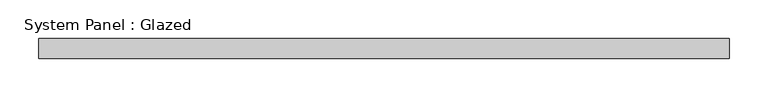
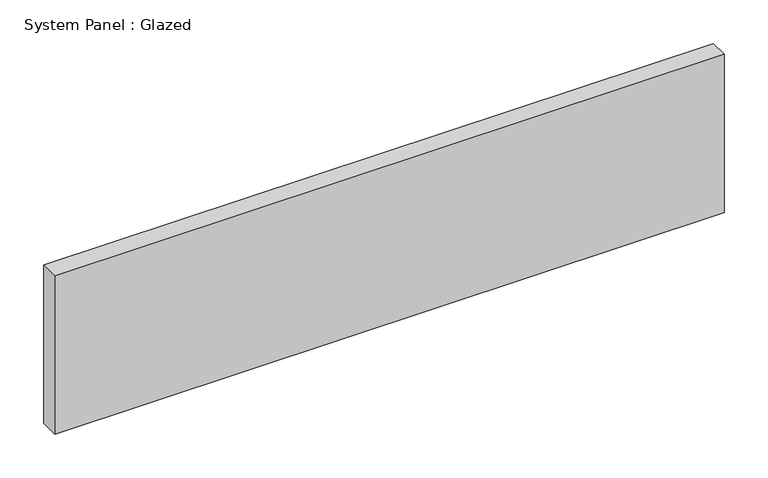
"""IFC4 building model written with IfcOpenShell, lengths in millimetres: plate geometry, System Panel : Glazed."""

from ifc_helpers import new_model, si_unit, origin, origin_with_axes, place, context, project, spatial, polyline, outline, extrude, source, transform, mapped, element, save


def system_panel_glazed_0671ca96(model_context):
    return source(origin(), model_context, "Body", "SweptSolid", [
        extrude(outline(polyline([(444.5, 19.05), (-444.5, 19.05), (-444.5, 44.45), (444.5, 44.45), (444.5, 19.05)])), origin_with_axes(), (0.0, 0.0, 1.0), 222.25),
    ])


if __name__ == "__main__":
    model = new_model("IFC4")
    model_context = context("Model", 3, world=origin())
    ifc_project = project(units=[si_unit("LENGTHUNIT", "METRE", prefix="MILLI")], contexts=[model_context])
    site = spatial("IfcSite", under=ifc_project)
    building = spatial("IfcBuilding", under=site)
    placement = place(None, origin())
    system_panel_glazed_shape = system_panel_glazed_0671ca96(model_context)
    element("IfcPlate", 1, ObjectType="System Panel : Glazed", at=placement, inside=building, context=model_context, shape_type="MappedRepresentation", body=[
        mapped(system_panel_glazed_shape, transform((0.0, 0.0, 0.0), x_axis=(1.0, 0.0, 0.0), y_axis=(0.0, 1.0, 0.0), z_axis=(0.0, 0.0, 1.0))),
    ])
    save(model, "model.ifc")
